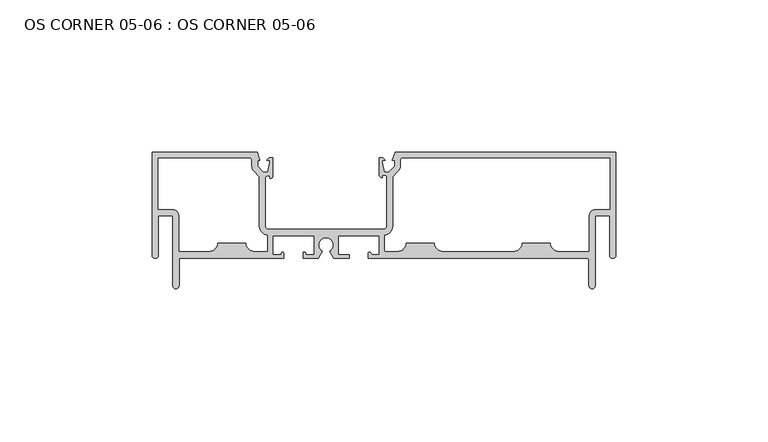
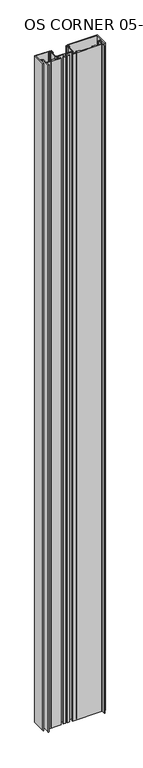
"""IFC4 building model written with IfcOpenShell, lengths in millimetres: plate geometry, OS CORNER 05-06 : OS CORNER 05-06."""

from ifc_helpers import new_model, si_unit, frame, origin, place, context, project, spatial, polyline, circle_curve, source, transform, mapped, element, save
from ifc_brep_helpers import plane_surface, cylinder_surface, revolved_surface, extruded_surface, spline_curve, advanced_brep


def os_corner_05_06_os_corner_05_06_1e219be5(model_context):
    return source(origin(), model_context, "Body", "AdvancedBrep", [
        advanced_brep(
        [(-50.8, 112.1366728, 1710.2666667), (-50.8, 146.0456728, 1710.2666667), (-123.3683003, 146.0456728, 1710.2666667), (-124.28347, 143.4421728, 1710.2666667), (-123.54687, 143.1832468, 1710.2666667), (-123.54687, 141.3578129, 1710.2666667), (-125.42647, 139.4797728, 1710.2666667), (-126.9005239, 139.4797728, 1710.2666667), (-127.5588, 142.4769728, 1710.2666667), (-127.5588, 143.4421728, 1710.2666667), (-126.615918, 143.4421728, 1710.2666667), (-127.4298906, 144.2561455, 1710.2666667), (-128.5748, 144.2561455, 1710.2666667), (-128.5748, 138.6162998, 1710.2666667), (-127.609473, 137.6509728, 1710.2666667), (-127.609473, 138.5074291, 1710.2666667), (-126.669673, 138.5074291, 1710.2666667), (-126.034673, 137.8724291, 1710.2666667), (-126.034673, 121.9156728, 1710.2666667), (-127.304673, 120.6456728, 1710.2666667), (-164.795327, 120.6456728, 1710.2666667), (-166.065327, 121.9156728, 1710.2666667), (-166.065327, 137.5747728, 1710.2666667), (-165.430327, 138.2097728, 1710.2666667), (-164.490527, 138.2097728, 1710.2666667), (-164.490527, 137.4277306, 1710.2666667), (-163.5252, 138.3930576, 1710.2666667), (-163.5252, 144.2561455, 1710.2666667), (-164.6701094, 144.2561455, 1710.2666667), (-165.484082, 143.4421728, 1710.2666667), (-164.5412, 143.4421728, 1710.2666667), (-164.5412, 142.4769728, 1710.2666667), (-165.1994761, 139.4797728, 1710.2666667), (-166.67353, 139.4797728, 1710.2666667), (-168.55313, 141.3578129, 1710.2666667), (-168.55313, 143.1832468, 1710.2666667), (-167.81653, 143.4421728, 1710.2666667), (-168.7316997, 146.0456728, 1710.2666667), (-203.2, 146.0456728, 1710.2666667), (-203.2, 112.1366728, 1710.2666667), (-201.168, 112.1366728, 1710.2666667), (-201.168, 125.1668728, 1710.2666667), (-196.3928, 125.1668728, 1710.2666667), (-196.3928, 102.1798728, 1710.2666667), (-194.3608, 102.1798728, 1710.2666667), (-194.3608, 111.1206728, 1710.2666667), (-159.9349057, 111.1206728, 1710.2666667), (-159.9349057, 112.7843728, 1710.2666667), (-160.9110439, 112.3906728, 1710.2666667), (-163.5124365, 112.3906728, 1710.2666667), (-163.5124365, 118.6136728, 1710.2666667), (-149.9996365, 118.6136728, 1710.2666667), (-149.9996365, 112.3906728, 1710.2666667), (-152.6048984, 112.3906728, 1710.2666667), (-153.5810365, 112.7843728, 1710.2666667), (-153.5810365, 111.1206728, 1710.2666667), (-148.5668967, 111.1206728, 1710.2666667), (-147.2437365, 113.4124535, 1710.2666667), (-144.8307365, 113.4124535, 1710.2666667), (-143.5075763, 111.1206728, 1710.2666667), (-138.4934365, 111.1206728, 1710.2666667), (-138.4934365, 112.3906728, 1710.2666667), (-142.0748365, 112.3906728, 1710.2666667), (-142.0748365, 118.6136728, 1710.2666667), (-128.5620365, 118.6136728, 1710.2666667), (-128.5620365, 112.3906728, 1710.2666667), (-130.6886834, 112.3906728, 1710.2666667), (-131.3560365, 112.7843728, 1710.2666667), (-132.1434365, 112.7843728, 1710.2666667), (-132.1434365, 111.1206728, 1710.2666667), (-60.1472, 111.1206728, 1710.2666667), (-59.6392, 110.6126728, 1710.2666667), (-59.6392, 102.1798728, 1710.2666667), (-57.6072, 102.1798728, 1710.2666667), (-57.6072, 125.1668728, 1710.2666667), (-52.832, 125.1668728, 1710.2666667), (-52.832, 112.1366728, 1710.2666667), (-59.6392, 113.4066728, 1710.2666667), (-69.4055, 113.4066728, 1710.2666667), (-72.1995, 116.2006728, 1710.2666667), (-81.7245, 116.2006728, 1710.2666667), (-84.5185, 113.4066728, 1710.2666667), (-107.5182, 113.4066728, 1710.2666667), (-110.3122, 116.2006728, 1710.2666667), (-119.8372, 116.2006728, 1710.2666667), (-122.6312, 113.4066728, 1710.2666667), (-126.2759095, 113.4066728, 1710.2666667), (-126.7839095, 113.9146728, 1710.2666667), (-126.7839095, 118.6549966, 1710.2666667), (-124.002673, 121.9156728, 1710.2666667), (-124.002673, 138.0298984, 1710.2666667), (-122.2967993, 139.7343564, 1710.2666667), (-121.51487, 141.6209929, 1710.2666667), (-121.51487, 143.5056728, 1710.2666667), (-121.00687, 144.0136728, 1710.2666667), (-52.832, 144.0136728, 1710.2666667), (-52.832, 127.1988728, 1710.2666667), (-57.6072, 127.1988728, 1710.2666667), (-59.6392, 125.1668728, 1710.2666667), (-170.58513, 141.6209929, 1710.2666667), (-169.8032007, 139.7343564, 1710.2666667), (-168.097327, 138.0298984, 1710.2666667), (-168.097327, 121.9156728, 1710.2666667), (-165.2905635, 118.651022, 1710.2666667), (-165.2905635, 113.4066728, 1710.2666667), (-169.4688, 113.4066728, 1710.2666667), (-172.2628, 116.2006728, 1710.2666667), (-181.7878, 116.2006728, 1710.2666667), (-184.5818, 113.4066728, 1710.2666667), (-194.3608, 113.4066728, 1710.2666667), (-194.3608, 125.1668728, 1710.2666667), (-196.3928, 127.1988728, 1710.2666667), (-201.168, 127.1988728, 1710.2666667), (-201.168, 144.0136728, 1710.2666667), (-171.09313, 144.0136728, 1710.2666667), (-170.58513, 143.5056728, 1710.2666667), (-50.8, 112.1366728, 0.0), (-52.832, 112.1366728, 0.0), (-52.832, 125.1668728, 0.0), (-57.6072, 125.1668728, 0.0), (-57.6072, 102.1798728, 0.0), (-59.6392, 102.1798728, 0.0), (-59.6392, 110.6126728, 0.0), (-60.1472, 111.1206728, 0.0), (-132.1434365, 111.1206728, 0.0), (-132.1434365, 112.7843728, 0.0), (-131.3560365, 112.7843728, 0.0), (-130.6886834, 112.3906728, 0.0), (-128.5620365, 112.3906728, 0.0), (-128.5620365, 118.6136728, 0.0), (-142.0748365, 118.6136728, 0.0), (-142.0748365, 112.3906728, 0.0), (-138.4934365, 112.3906728, 0.0), (-138.4934365, 111.1206728, 0.0), (-143.5075763, 111.1206728, 0.0), (-144.8307365, 113.4124535, 0.0), (-147.2437365, 113.4124535, 0.0), (-148.5668967, 111.1206728, 0.0), (-153.5810365, 111.1206728, 0.0), (-153.5810365, 112.7843728, 0.0), (-152.6048984, 112.3906728, 0.0), (-149.9996365, 112.3906728, 0.0), (-149.9996365, 118.6136728, 0.0), (-163.5124365, 118.6136728, 0.0), (-163.5124365, 112.3906728, 0.0), (-160.9110439, 112.3906728, 0.0), (-159.9349057, 112.7843728, 0.0), (-159.9349057, 111.1206728, 0.0), (-194.3608, 111.1206728, 0.0), (-194.3608, 102.1798728, 0.0), (-196.3928, 102.1798728, 0.0), (-196.3928, 125.1668728, 0.0), (-201.168, 125.1668728, 0.0), (-201.168, 112.1366728, 0.0), (-203.2, 112.1366728, 0.0), (-203.2, 146.0456728, 0.0), (-168.7316997, 146.0456728, 0.0), (-167.81653, 143.4421728, 0.0), (-168.55313, 143.1832468, 0.0), (-168.55313, 141.3578129, 0.0), (-166.67353, 139.4797728, 0.0), (-165.1994761, 139.4797728, 0.0), (-164.5412, 142.4769728, 0.0), (-164.5412, 143.4421728, 0.0), (-165.484082, 143.4421728, 0.0), (-164.6701094, 144.2561455, 0.0), (-163.5252, 144.2561455, 0.0), (-163.5252, 138.3930576, 0.0), (-164.490527, 137.4277306, 0.0), (-164.490527, 138.2097728, 0.0), (-165.430327, 138.2097728, 0.0), (-166.065327, 137.5747728, 0.0), (-166.065327, 121.9156728, 0.0), (-164.795327, 120.6456728, 0.0), (-127.304673, 120.6456728, 0.0), (-126.034673, 121.9156728, 0.0), (-126.034673, 137.8724291, 0.0), (-126.669673, 138.5074291, 0.0), (-127.609473, 138.5074291, 0.0), (-127.609473, 137.6509728, 0.0), (-128.5748, 138.6162998, 0.0), (-128.5748, 144.2561455, 0.0), (-127.4298906, 144.2561455, 0.0), (-126.615918, 143.4421728, 0.0), (-127.5588, 143.4421728, 0.0), (-127.5588, 142.4769728, 0.0), (-126.9005239, 139.4797728, 0.0), (-125.42647, 139.4797728, 0.0), (-123.54687, 141.3578129, 0.0), (-123.54687, 143.1832468, 0.0), (-124.28347, 143.4421728, 0.0), (-123.3683003, 146.0456728, 0.0), (-50.8, 146.0456728, 0.0), (-59.6392, 113.4066728, 0.0), (-59.6392, 125.1668728, 0.0), (-57.6072, 127.1988728, 0.0), (-52.832, 127.1988728, 0.0), (-52.832, 144.0136728, 0.0), (-121.00687, 144.0136728, 0.0), (-121.51487, 143.5056728, 0.0), (-121.51487, 141.6209929, 0.0), (-122.2967993, 139.7343564, 0.0), (-124.002673, 138.0298984, 0.0), (-124.002673, 121.9156728, 0.0), (-126.7839095, 118.6549966, 0.0), (-126.7839095, 113.9146728, 0.0), (-126.2759095, 113.4066728, 0.0), (-122.6312, 113.4066728, 0.0), (-119.8372, 116.2006728, 0.0), (-110.3122, 116.2006728, 0.0), (-107.5182, 113.4066728, 0.0), (-84.5185, 113.4066728, 0.0), (-81.7245, 116.2006728, 0.0), (-72.1995, 116.2006728, 0.0), (-69.4055, 113.4066728, 0.0), (-170.58513, 141.6209929, 0.0), (-170.58513, 143.5056728, 0.0), (-171.09313, 144.0136728, 0.0), (-201.168, 144.0136728, 0.0), (-201.168, 127.1988728, 0.0), (-196.3928, 127.1988728, 0.0), (-194.3608, 125.1668728, 0.0), (-194.3608, 113.4066728, 0.0), (-184.5818, 113.4066728, 0.0), (-181.7878, 116.2006728, 0.0), (-172.2628, 116.2006728, 0.0), (-169.4688, 113.4066728, 0.0), (-165.2905635, 113.4066728, 0.0), (-165.2905635, 118.651022, 0.0), (-168.097327, 121.9156728, 0.0), (-168.097327, 138.0298984, 0.0), (-169.8032007, 139.7343564, 0.0)],
        [
            (0, 1),
            (1, 2),
            (2, 3),
            (3, 4),
            (4, 5),
            (5, 6),
            (6, 7),
            (7, 8),
            (8, 9),
            (9, 10),
            (10, 11),
            (11, 12),
            (12, 13),
            (13, 14, circle_curve(frame((-127.609473, 138.6162998, 1710.2666667), z_axis=(0.0, 0.0, 1.0), x_axis=(0.0, 1.0, 0.0)), 0.965327)),
            (14, 15),
            (15, 16),
            (16, 17, circle_curve(frame((-126.669673, 137.8724291, 1710.2666667), z_axis=(0.0, 0.0, -1.0), x_axis=(0.0, 1.0, 0.0)), 0.635)),
            (17, 18),
            (18, 19, circle_curve(frame((-127.304673, 121.9156728, 1710.2666667), z_axis=(0.0, 0.0, -1.0), x_axis=(0.0, 1.0, 0.0)), 1.27)),
            (19, 20),
            (20, 21, circle_curve(frame((-164.795327, 121.9156728, 1710.2666667), z_axis=(0.0, 0.0, -1.0), x_axis=(0.0, 1.0, 0.0)), 1.27)),
            (21, 22),
            (22, 23, circle_curve(frame((-165.430327, 137.5747728, 1710.2666667), z_axis=(0.0, 0.0, -1.0), x_axis=(0.0, 1.0, 0.0)), 0.635)),
            (23, 24),
            (24, 25),
            (25, 26, circle_curve(frame((-164.490527, 138.3930576, 1710.2666667), z_axis=(0.0, 0.0, 1.0), x_axis=(0.0, 1.0, 0.0)), 0.965327)),
            (26, 27),
            (27, 28),
            (28, 29),
            (29, 30),
            (30, 31),
            (31, 32),
            (32, 33),
            (33, 34),
            (34, 35),
            (35, 36),
            (36, 37),
            (37, 38),
            (38, 39),
            (39, 40, circle_curve(frame((-202.184, 112.1366728, 1710.2666667), z_axis=(0.0, 0.0, 1.0), x_axis=(0.0, 1.0, 0.0)), 1.016)),
            (40, 41),
            (41, 42),
            (42, 43),
            (43, 44, circle_curve(frame((-195.3768, 102.1798728, 1710.2666667), z_axis=(0.0, 0.0, 1.0), x_axis=(0.0, 1.0, 0.0)), 1.016)),
            (44, 45),
            (45, 46),
            (46, 47),
            (47, 48, spline_curve(3, [(-159.9349057, 112.7843728, 1710.2666667), (-159.977186004, 113.024156319, 1710.2666667), (-160.00795905, 113.065316814, 1710.2666667), (-160.083410763, 113.133422498, 1710.2666667), (-160.126747934, 113.141063997, 1710.2666667), (-160.312732941, 113.156555603, 1710.2666667), (-160.491567822, 113.162921634, 1710.2666667), (-160.705278639, 112.949121795, 1710.2666667), (-160.70527865, 112.684536032, 1710.2666667), (-160.9110439, 112.3906728, 1710.2666667)], [4, 2, 2, 2, 4], [0.0, 0.0005581775979920252, 0.0014141886036385456, 0.002659292844354508, 0.004147214338502557])),
            (48, 49),
            (49, 50),
            (50, 51),
            (51, 52),
            (52, 53),
            (53, 54, spline_curve(3, [(-152.6048984, 112.3906728, 1710.2666667), (-152.81066365, 112.684536032, 1710.2666667), (-152.810663561, 112.949121795, 1710.2666667), (-153.024374378, 113.162921634, 1710.2666667), (-153.203209259, 113.156555603, 1710.2666667), (-153.389194266, 113.141063997, 1710.2666667), (-153.432531437, 113.133422498, 1710.2666667), (-153.50798315, 113.065316814, 1710.2666667), (-153.538756196, 113.024156319, 1710.2666667), (-153.5810365, 112.7843728, 1710.2666667)], [4, 2, 2, 2, 4], [0.0, 0.0014879214941480494, 0.0027330257348640117, 0.003589036740510532, 0.004147214338502557])),
            (54, 55),
            (55, 56),
            (56, 57),
            (57, 58, circle_curve(frame((-146.0372365, 115.5021728, 1710.2666667), z_axis=(0.0, 0.0, -1.0), x_axis=(0.0, 1.0, 0.0)), 2.413)),
            (58, 59),
            (59, 60),
            (60, 61),
            (61, 62),
            (62, 63),
            (63, 64),
            (64, 65),
            (65, 66),
            (66, 67, circle_curve(frame((-130.6886834, 113.1531313, 1710.2666667), z_axis=(0.0, 0.0, -1.0), x_axis=(0.0, 1.0, 0.0)), 0.7624585)),
            (67, 68, circle_curve(frame((-131.7497365, 112.7843728, 1710.2666667), z_axis=(0.0, 0.0, 1.0), x_axis=(0.0, 1.0, 0.0)), 0.3937)),
            (68, 69),
            (69, 70),
            (70, 71, circle_curve(frame((-60.1472, 110.6126728, 1710.2666667), z_axis=(0.0, 0.0, -1.0), x_axis=(0.0, 1.0, 0.0)), 0.508)),
            (71, 72),
            (72, 73, circle_curve(frame((-58.6232, 102.1798728, 1710.2666667), z_axis=(0.0, 0.0, 1.0), x_axis=(0.0, 1.0, 0.0)), 1.016)),
            (73, 74),
            (74, 75),
            (75, 76),
            (76, 0, circle_curve(frame((-51.816, 112.1366728, 1710.2666667), z_axis=(0.0, 0.0, 1.0), x_axis=(0.0, 1.0, 0.0)), 1.016)),
            (77, 78),
            (78, 79, circle_curve(frame((-69.4055, 116.2006728, 1710.2666667), z_axis=(0.0, 0.0, -1.0), x_axis=(0.0, 1.0, 0.0)), 2.794)),
            (79, 80),
            (80, 81, circle_curve(frame((-84.5185, 116.2006728, 1710.2666667), z_axis=(0.0, 0.0, -1.0), x_axis=(0.0, 1.0, 0.0)), 2.794)),
            (81, 82),
            (82, 83, circle_curve(frame((-107.5182, 116.2006728, 1710.2666667), z_axis=(0.0, 0.0, -1.0), x_axis=(0.0, 1.0, 0.0)), 2.794)),
            (83, 84),
            (84, 85, circle_curve(frame((-122.6312, 116.2006728, 1710.2666667), z_axis=(0.0, 0.0, -1.0), x_axis=(0.0, 1.0, 0.0)), 2.794)),
            (85, 86),
            (86, 87, circle_curve(frame((-126.2759095, 113.9146728, 1710.2666667), z_axis=(0.0, 0.0, -1.0), x_axis=(0.0, 1.0, 0.0)), 0.508)),
            (87, 88),
            (88, 89, circle_curve(frame((-127.304673, 121.9156728, 1710.2666667), z_axis=(0.0, 0.0, 1.0), x_axis=(0.0, 1.0, 0.0)), 3.302)),
            (89, 90),
            (90, 91),
            (91, 92, circle_curve(frame((-124.18187, 141.6209929, 1710.2666667), z_axis=(0.0, 0.0, 1.0), x_axis=(0.0, 1.0, 0.0)), 2.667)),
            (92, 93),
            (93, 94, circle_curve(frame((-121.00687, 143.5056728, 1710.2666667), z_axis=(0.0, 0.0, -1.0), x_axis=(0.0, 1.0, 0.0)), 0.508)),
            (94, 95),
            (95, 96),
            (96, 97),
            (97, 98, circle_curve(frame((-57.6072, 125.1668728, 1710.2666667), z_axis=(0.0, 0.0, 1.0), x_axis=(0.0, 1.0, 0.0)), 2.032)),
            (98, 77),
            (99, 100, circle_curve(frame((-167.91813, 141.6209929, 1710.2666667), z_axis=(0.0, 0.0, 1.0), x_axis=(0.0, 1.0, 0.0)), 2.667)),
            (100, 101),
            (101, 102),
            (102, 103, circle_curve(frame((-164.795327, 121.9156728, 1710.2666667), z_axis=(0.0, 0.0, 1.0), x_axis=(0.0, 1.0, 0.0)), 3.302)),
            (103, 104),
            (104, 105),
            (105, 106, circle_curve(frame((-169.4688, 116.2006728, 1710.2666667), z_axis=(0.0, 0.0, -1.0), x_axis=(0.0, 1.0, 0.0)), 2.794)),
            (106, 107),
            (107, 108, circle_curve(frame((-184.5818, 116.2006728, 1710.2666667), z_axis=(0.0, 0.0, -1.0), x_axis=(0.0, 1.0, 0.0)), 2.794)),
            (108, 109),
            (109, 110),
            (110, 111, circle_curve(frame((-196.3928, 125.1668728, 1710.2666667), z_axis=(0.0, 0.0, 1.0), x_axis=(0.0, 1.0, 0.0)), 2.032)),
            (111, 112),
            (112, 113),
            (113, 114),
            (114, 115, circle_curve(frame((-171.09313, 143.5056728, 1710.2666667), z_axis=(0.0, 0.0, -1.0), x_axis=(0.0, 1.0, 0.0)), 0.508)),
            (115, 99),
            (116, 117, circle_curve(frame((-51.816, 112.1366728, 0.0), z_axis=(0.0, 0.0, -1.0), x_axis=(0.0, 1.0, 0.0)), 1.016)),
            (117, 118),
            (118, 119),
            (119, 120),
            (120, 121, circle_curve(frame((-58.6232, 102.1798728, 0.0), z_axis=(0.0, 0.0, -1.0), x_axis=(0.0, 1.0, 0.0)), 1.016)),
            (121, 122),
            (122, 123, circle_curve(frame((-60.1472, 110.6126728, 0.0), z_axis=(0.0, 0.0, 1.0), x_axis=(0.0, 1.0, 0.0)), 0.508)),
            (123, 124),
            (124, 125),
            (125, 126, circle_curve(frame((-131.7497365, 112.7843728, 0.0), z_axis=(0.0, 0.0, -1.0), x_axis=(0.0, 1.0, 0.0)), 0.3937)),
            (126, 127, circle_curve(frame((-130.6886834, 113.1531313, 0.0), z_axis=(0.0, 0.0, 1.0), x_axis=(0.0, 1.0, 0.0)), 0.7624585)),
            (127, 128),
            (128, 129),
            (129, 130),
            (130, 131),
            (131, 132),
            (132, 133),
            (133, 134),
            (134, 135),
            (135, 136, circle_curve(frame((-146.0372365, 115.5021728, 0.0), z_axis=(0.0, 0.0, 1.0), x_axis=(0.0, 1.0, 0.0)), 2.413)),
            (136, 137),
            (137, 138),
            (138, 139),
            (139, 140, spline_curve(3, [(-153.5810365, 112.7843728, 0.0), (-153.538756196, 113.024156319, 0.0), (-153.50798315, 113.065316814, 0.0), (-153.432531437, 113.133422498, 0.0), (-153.389194266, 113.141063997, 0.0), (-153.203209259, 113.156555603, 0.0), (-153.024374378, 113.162921634, 0.0), (-152.810663561, 112.949121795, 0.0), (-152.81066365, 112.684536032, 0.0), (-152.6048984, 112.3906728, 0.0)], [4, 2, 2, 2, 4], [0.0, 0.0005581775979920252, 0.0014141886036385456, 0.002659292844354508, 0.004147214338502557])),
            (140, 141),
            (141, 142),
            (142, 143),
            (143, 144),
            (144, 145),
            (145, 146, spline_curve(3, [(-160.9110439, 112.3906728, 0.0), (-160.70527865, 112.684536032, 0.0), (-160.705278639, 112.949121795, 0.0), (-160.491567822, 113.162921634, 0.0), (-160.312732941, 113.156555603, 0.0), (-160.126747934, 113.141063997, 0.0), (-160.083410763, 113.133422498, 0.0), (-160.00795905, 113.065316814, 0.0), (-159.977186004, 113.024156319, 0.0), (-159.9349057, 112.7843728, 0.0)], [4, 2, 2, 2, 4], [0.0, 0.0014879214941480494, 0.0027330257348640117, 0.003589036740510532, 0.004147214338502557])),
            (146, 147),
            (147, 148),
            (148, 149),
            (149, 150, circle_curve(frame((-195.3768, 102.1798728, 0.0), z_axis=(0.0, 0.0, -1.0), x_axis=(0.0, 1.0, 0.0)), 1.016)),
            (150, 151),
            (151, 152),
            (152, 153),
            (153, 154, circle_curve(frame((-202.184, 112.1366728, 0.0), z_axis=(0.0, 0.0, -1.0), x_axis=(0.0, 1.0, 0.0)), 1.016)),
            (154, 155),
            (155, 156),
            (156, 157),
            (157, 158),
            (158, 159),
            (159, 160),
            (160, 161),
            (161, 162),
            (162, 163),
            (163, 164),
            (164, 165),
            (165, 166),
            (166, 167),
            (167, 168, circle_curve(frame((-164.490527, 138.3930576, 0.0), z_axis=(0.0, 0.0, -1.0), x_axis=(0.0, 1.0, 0.0)), 0.965327)),
            (168, 169),
            (169, 170),
            (170, 171, circle_curve(frame((-165.430327, 137.5747728, 0.0), z_axis=(0.0, 0.0, 1.0), x_axis=(0.0, 1.0, 0.0)), 0.635)),
            (171, 172),
            (172, 173, circle_curve(frame((-164.795327, 121.9156728, 0.0), z_axis=(0.0, 0.0, 1.0), x_axis=(0.0, 1.0, 0.0)), 1.27)),
            (173, 174),
            (174, 175, circle_curve(frame((-127.304673, 121.9156728, 0.0), z_axis=(0.0, 0.0, 1.0), x_axis=(0.0, 1.0, 0.0)), 1.27)),
            (175, 176),
            (176, 177, circle_curve(frame((-126.669673, 137.8724291, 0.0), z_axis=(0.0, 0.0, 1.0), x_axis=(0.0, 1.0, 0.0)), 0.635)),
            (177, 178),
            (178, 179),
            (179, 180, circle_curve(frame((-127.609473, 138.6162998, 0.0), z_axis=(0.0, 0.0, -1.0), x_axis=(0.0, 1.0, 0.0)), 0.965327)),
            (180, 181),
            (181, 182),
            (182, 183),
            (183, 184),
            (184, 185),
            (185, 186),
            (186, 187),
            (187, 188),
            (188, 189),
            (189, 190),
            (190, 191),
            (191, 192),
            (192, 116),
            (193, 194),
            (194, 195, circle_curve(frame((-57.6072, 125.1668728, 0.0), z_axis=(0.0, 0.0, -1.0), x_axis=(0.0, 1.0, 0.0)), 2.032)),
            (195, 196),
            (196, 197),
            (197, 198),
            (198, 199, circle_curve(frame((-121.00687, 143.5056728, 0.0), z_axis=(0.0, 0.0, 1.0), x_axis=(0.0, 1.0, 0.0)), 0.508)),
            (199, 200),
            (200, 201, circle_curve(frame((-124.18187, 141.6209929, 0.0), z_axis=(0.0, 0.0, -1.0), x_axis=(0.0, 1.0, 0.0)), 2.667)),
            (201, 202),
            (202, 203),
            (203, 204, circle_curve(frame((-127.304673, 121.9156728, 0.0), z_axis=(0.0, 0.0, -1.0), x_axis=(0.0, 1.0, 0.0)), 3.302)),
            (204, 205),
            (205, 206, circle_curve(frame((-126.2759095, 113.9146728, 0.0), z_axis=(0.0, 0.0, 1.0), x_axis=(0.0, 1.0, 0.0)), 0.508)),
            (206, 207),
            (207, 208, circle_curve(frame((-122.6312, 116.2006728, 0.0), z_axis=(0.0, 0.0, 1.0), x_axis=(0.0, 1.0, 0.0)), 2.794)),
            (208, 209),
            (209, 210, circle_curve(frame((-107.5182, 116.2006728, 0.0), z_axis=(0.0, 0.0, 1.0), x_axis=(0.0, 1.0, 0.0)), 2.794)),
            (210, 211),
            (211, 212, circle_curve(frame((-84.5185, 116.2006728, 0.0), z_axis=(0.0, 0.0, 1.0), x_axis=(0.0, 1.0, 0.0)), 2.794)),
            (212, 213),
            (213, 214, circle_curve(frame((-69.4055, 116.2006728, 0.0), z_axis=(0.0, 0.0, 1.0), x_axis=(0.0, 1.0, 0.0)), 2.794)),
            (214, 193),
            (215, 216),
            (216, 217, circle_curve(frame((-171.09313, 143.5056728, 0.0), z_axis=(0.0, 0.0, 1.0), x_axis=(0.0, 1.0, 0.0)), 0.508)),
            (217, 218),
            (218, 219),
            (219, 220),
            (220, 221, circle_curve(frame((-196.3928, 125.1668728, 0.0), z_axis=(0.0, 0.0, -1.0), x_axis=(0.0, 1.0, 0.0)), 2.032)),
            (221, 222),
            (222, 223),
            (223, 224, circle_curve(frame((-184.5818, 116.2006728, 0.0), z_axis=(0.0, 0.0, 1.0), x_axis=(0.0, 1.0, 0.0)), 2.794)),
            (224, 225),
            (225, 226, circle_curve(frame((-169.4688, 116.2006728, 0.0), z_axis=(0.0, 0.0, 1.0), x_axis=(0.0, 1.0, 0.0)), 2.794)),
            (226, 227),
            (227, 228),
            (228, 229, circle_curve(frame((-164.795327, 121.9156728, 0.0), z_axis=(0.0, 0.0, -1.0), x_axis=(0.0, 1.0, 0.0)), 3.302)),
            (229, 230),
            (230, 231),
            (231, 215, circle_curve(frame((-167.91813, 141.6209929, 0.0), z_axis=(0.0, 0.0, -1.0), x_axis=(0.0, 1.0, 0.0)), 2.667)),
            (76, 117),
            (116, 0),
            (75, 118),
            (74, 119),
            (73, 120),
            (72, 121),
            (71, 122),
            (70, 123),
            (69, 124),
            (68, 125),
            (67, 126),
            (66, 127),
            (65, 128),
            (64, 129),
            (63, 130),
            (62, 131),
            (61, 132),
            (60, 133),
            (59, 134),
            (58, 135),
            (57, 136),
            (56, 137),
            (55, 138),
            (54, 139),
            (53, 140),
            (52, 141),
            (51, 142),
            (50, 143),
            (49, 144),
            (48, 145),
            (47, 146),
            (46, 147),
            (45, 148),
            (44, 149),
            (43, 150),
            (42, 151),
            (41, 152),
            (40, 153),
            (39, 154),
            (38, 155),
            (37, 156),
            (36, 157),
            (35, 158),
            (34, 159),
            (33, 160),
            (32, 161),
            (31, 162),
            (30, 163),
            (29, 164),
            (28, 165),
            (27, 166),
            (26, 167),
            (25, 168),
            (24, 169),
            (23, 170),
            (22, 171),
            (21, 172),
            (20, 173),
            (19, 174),
            (18, 175),
            (17, 176),
            (16, 177),
            (15, 178),
            (14, 179),
            (13, 180),
            (12, 181),
            (11, 182),
            (10, 183),
            (9, 184),
            (8, 185),
            (7, 186),
            (6, 187),
            (5, 188),
            (4, 189),
            (3, 190),
            (2, 191),
            (1, 192),
            (98, 194),
            (193, 77),
            (97, 195),
            (96, 196),
            (95, 197),
            (94, 198),
            (93, 199),
            (92, 200),
            (91, 201),
            (90, 202),
            (89, 203),
            (88, 204),
            (87, 205),
            (86, 206),
            (85, 207),
            (84, 208),
            (83, 209),
            (82, 210),
            (81, 211),
            (80, 212),
            (79, 213),
            (78, 214),
            (115, 216),
            (215, 99),
            (114, 217),
            (113, 218),
            (112, 219),
            (111, 220),
            (110, 221),
            (109, 222),
            (108, 223),
            (107, 224),
            (106, 225),
            (105, 226),
            (104, 227),
            (103, 228),
            (102, 229),
            (101, 230),
            (100, 231),
        ],
        [
            plane_surface(frame((-203.2, 0.0, 1710.2666667), z_axis=(0.0, 0.0, 1.0), x_axis=(0.0, 1.0, 0.0))),
            plane_surface(frame((-203.2, 0.0, 0.0), z_axis=(0.0, 0.0, -1.0), x_axis=(0.0, 1.0, 0.0))),
            cylinder_surface(frame((-51.816, 112.1366728, 1710.2666667), z_axis=(0.0, 0.0, 1.0), x_axis=(0.0, 1.0, 0.0)), 1.016),
            plane_surface(frame((-52.832, 112.1366728, 1710.2666667), z_axis=(-1.0, 0.0, 0.0), x_axis=(0.0, 0.0, -1.0))),
            plane_surface(frame((-52.832, 125.1668728, 1710.2666667), z_axis=(0.0, -1.0, 0.0), x_axis=(0.0, 0.0, -1.0))),
            plane_surface(frame((-57.6072, 125.1668728, 1710.2666667), z_axis=(1.0, 0.0, 0.0), x_axis=(0.0, 0.0, -1.0))),
            cylinder_surface(frame((-58.6232, 102.1798728, 1710.2666667), z_axis=(0.0, 0.0, 1.0), x_axis=(0.0, 1.0, 0.0)), 1.016),
            plane_surface(frame((-59.6392, 102.1798728, 1710.2666667), z_axis=(-1.0, 0.0, 0.0), x_axis=(0.0, 0.0, -1.0))),
            revolved_surface(polyline([(-60.1472, 111.1206728, 0.0), (-60.1472, 111.1206728, 1710.2666667)]), (-60.1472, 110.6126728, 1710.2666667), (0.0, 0.0, -1.0)),
            plane_surface(frame((-60.1472, 111.1206728, 1710.2666667), z_axis=(0.0, -1.0, 0.0), x_axis=(0.0, 0.0, -1.0))),
            plane_surface(frame((-132.1434365, 111.1206728, 1710.2666667), z_axis=(-1.0, 0.0, 0.0), x_axis=(0.0, 0.0, -1.0))),
            cylinder_surface(frame((-131.7497365, 112.7843728, 1710.2666667), z_axis=(0.0, 0.0, 1.0), x_axis=(0.0, 1.0, 0.0)), 0.3937),
            revolved_surface(polyline([(-130.6886834, 113.91558979999999, 0.0), (-130.6886834, 113.91558979999999, 1710.2666667)]), (-130.6886834, 113.1531313, 1710.2666667), (0.0, 0.0, -1.0)),
            plane_surface(frame((-130.6886834, 112.3906728, 1710.2666667), z_axis=(0.0, 1.0, 0.0), x_axis=(0.0, 0.0, -1.0))),
            plane_surface(frame((-128.5620365, 112.3906728, 1710.2666667), z_axis=(-1.0, 0.0, 0.0), x_axis=(0.0, 0.0, -1.0))),
            plane_surface(frame((-128.5620365, 118.6136728, 1710.2666667), z_axis=(0.0, -1.0, 0.0), x_axis=(0.0, 0.0, -1.0))),
            plane_surface(frame((-142.0748365, 118.6136728, 1710.2666667), z_axis=(1.0, 0.0, 0.0), x_axis=(0.0, 0.0, -1.0))),
            plane_surface(frame((-142.0748365, 112.3906728, 1710.2666667), z_axis=(0.0, 1.0, 0.0), x_axis=(0.0, 0.0, -1.0))),
            plane_surface(frame((-138.4934365, 112.3906728, 1710.2666667), z_axis=(1.0, 0.0, 0.0), x_axis=(0.0, 0.0, -1.0))),
            plane_surface(frame((-138.4934365, 111.1206728, 1710.2666667), z_axis=(0.0, -1.0, 0.0), x_axis=(0.0, 0.0, -1.0))),
            plane_surface(frame((-143.5075763, 111.1206728, 1710.2666667), z_axis=(-0.8660254037844064, -0.500000000000056, 0.0), x_axis=(0.0, 0.0, -1.0))),
            revolved_surface(polyline([(-146.0372365, 117.9151728, 0.0), (-146.0372365, 117.9151728, 1710.2666667)]), (-146.0372365, 115.5021728, 1710.2666667), (0.0, 0.0, -1.0)),
            plane_surface(frame((-147.2437365, 113.4124535, 1710.2666667), z_axis=(0.8660254037844907, -0.49999999999991, 0.0), x_axis=(0.0, 0.0, -1.0))),
            plane_surface(frame((-148.5668967, 111.1206728, 1710.2666667), z_axis=(0.0, -1.0, 0.0), x_axis=(0.0, 0.0, -1.0))),
            plane_surface(frame((-153.5810365, 111.1206728, 1710.2666667), z_axis=(-1.0, 0.0, 0.0), x_axis=(0.0, 0.0, -1.0))),
            extruded_surface(spline_curve(3, [(-153.5810365, 112.7843728, 1710.2666667), (-153.538756196, 113.024156319, 1710.2666667), (-153.50798315, 113.065316814, 1710.2666667), (-153.432531437, 113.133422498, 1710.2666667), (-153.389194266, 113.141063997, 1710.2666667), (-153.203209259, 113.156555603, 1710.2666667), (-153.024374378, 113.162921634, 1710.2666667), (-152.810663561, 112.949121795, 1710.2666667), (-152.81066365, 112.684536032, 1710.2666667), (-152.6048984, 112.3906728, 1710.2666667)], [4, 2, 2, 2, 4], [0.0, 0.0005581775979920252, 0.0014141886036385456, 0.002659292844354508, 0.004147214338502557]), (0.0, 0.0, -1710.2666667), 1710.2666667),
            plane_surface(frame((-152.6048984, 112.3906728, 1710.2666667), z_axis=(0.0, 1.0, 0.0), x_axis=(0.0, 0.0, -1.0))),
            plane_surface(frame((-149.9996365, 112.3906728, 1710.2666667), z_axis=(-1.0, 0.0, 0.0), x_axis=(0.0, 0.0, -1.0))),
            plane_surface(frame((-149.9996365, 118.6136728, 1710.2666667), z_axis=(0.0, -1.0, 0.0), x_axis=(0.0, 0.0, -1.0))),
            plane_surface(frame((-163.5124365, 118.6136728, 1710.2666667), z_axis=(1.0, 0.0, 0.0), x_axis=(0.0, 0.0, -1.0))),
            plane_surface(frame((-163.5124365, 112.3906728, 1710.2666667), z_axis=(0.0, 1.0, 0.0), x_axis=(0.0, 0.0, -1.0))),
            extruded_surface(spline_curve(3, [(-160.9110439, 112.3906728, 1710.2666667), (-160.70527865, 112.684536032, 1710.2666667), (-160.705278639, 112.949121795, 1710.2666667), (-160.491567822, 113.162921634, 1710.2666667), (-160.312732941, 113.156555603, 1710.2666667), (-160.126747934, 113.141063997, 1710.2666667), (-160.083410763, 113.133422498, 1710.2666667), (-160.00795905, 113.065316814, 1710.2666667), (-159.977186004, 113.024156319, 1710.2666667), (-159.9349057, 112.7843728, 1710.2666667)], [4, 2, 2, 2, 4], [0.0, 0.0014879214941480494, 0.0027330257348640117, 0.003589036740510532, 0.004147214338502557]), (0.0, 0.0, -1710.2666667), 1710.2666667),
            plane_surface(frame((-159.9349057, 112.7843728, 1710.2666667), z_axis=(1.0, 0.0, 0.0), x_axis=(0.0, 0.0, -1.0))),
            plane_surface(frame((-159.9349057, 111.1206728, 1710.2666667), z_axis=(0.0, -1.0, 0.0), x_axis=(0.0, 0.0, -1.0))),
            plane_surface(frame((-194.3608, 111.1206728, 1710.2666667), z_axis=(1.0, 0.0, 0.0), x_axis=(0.0, 0.0, -1.0))),
            cylinder_surface(frame((-195.3768, 102.1798728, 1710.2666667), z_axis=(0.0, 0.0, 1.0), x_axis=(0.0, 1.0, 0.0)), 1.016),
            plane_surface(frame((-196.3928, 102.1798728, 1710.2666667), z_axis=(-1.0, 0.0, 0.0), x_axis=(0.0, 0.0, -1.0))),
            plane_surface(frame((-196.3928, 125.1668728, 1710.2666667), z_axis=(0.0, -1.0, 0.0), x_axis=(0.0, 0.0, -1.0))),
            plane_surface(frame((-201.168, 125.1668728, 1710.2666667), z_axis=(1.0, 0.0, 0.0), x_axis=(0.0, 0.0, -1.0))),
            cylinder_surface(frame((-202.184, 112.1366728, 1710.2666667), z_axis=(0.0, 0.0, 1.0), x_axis=(0.0, 1.0, 0.0)), 1.016),
            plane_surface(frame((-203.2, 112.1366728, 1710.2666667), z_axis=(-1.0, 0.0, 0.0), x_axis=(0.0, 0.0, -1.0))),
            plane_surface(frame((-203.2, 146.0456728, 1710.2666667), z_axis=(0.0, 1.0, 0.0), x_axis=(0.0, 0.0, -1.0))),
            plane_surface(frame((-168.7316997, 146.0456728, 1710.2666667), z_axis=(0.9434118010060337, 0.33162354217177037, 0.0), x_axis=(0.0, 0.0, -1.0))),
            plane_surface(frame((-167.81653, 143.4421728, 1710.2666667), z_axis=(0.33162354217180673, -0.943411801006021, 0.0), x_axis=(0.0, 0.0, -1.0))),
            plane_surface(frame((-168.55313, 143.1832468, 1710.2666667), z_axis=(1.0, 0.0, 0.0), x_axis=(0.0, 0.0, -1.0))),
            plane_surface(frame((-168.55313, 141.3578129, 1710.2666667), z_axis=(0.7068131672088557, 0.7074002732966579, 0.0), x_axis=(0.0, 0.0, -1.0))),
            plane_surface(frame((-166.67353, 139.4797728, 1710.2666667), z_axis=(0.0, 1.0, 0.0), x_axis=(0.0, 0.0, -1.0))),
            plane_surface(frame((-165.1994761, 139.4797728, 1710.2666667), z_axis=(-0.9767201702081739, 0.21451738649469845, 0.0), x_axis=(0.0, 0.0, -1.0))),
            plane_surface(frame((-164.5412, 142.4769728, 1710.2666667), z_axis=(-1.0, 0.0, 0.0), x_axis=(0.0, 0.0, -1.0))),
            plane_surface(frame((-164.5412, 143.4421728, 1710.2666667), z_axis=(0.0, -1.0, 0.0), x_axis=(0.0, 0.0, -1.0))),
            plane_surface(frame((-165.484082, 143.4421728, 1710.2666667), z_axis=(-0.7071067811865476, 0.7071067811865476, 0.0), x_axis=(0.0, 0.0, -1.0))),
            plane_surface(frame((-164.6701094, 144.2561455, 1710.2666667), z_axis=(0.0, 1.0, 0.0), x_axis=(0.0, 0.0, -1.0))),
            plane_surface(frame((-163.5252, 144.2561455, 1710.2666667), z_axis=(1.0, 0.0, 0.0), x_axis=(0.0, 0.0, -1.0))),
            cylinder_surface(frame((-164.490527, 138.3930576, 1710.2666667), z_axis=(0.0, 0.0, 1.0), x_axis=(0.0, 1.0, 0.0)), 0.965327),
            plane_surface(frame((-164.490527, 137.4277306, 1710.2666667), z_axis=(-1.0, 0.0, 0.0), x_axis=(0.0, 0.0, -1.0))),
            plane_surface(frame((-164.490527, 138.2097728, 1710.2666667), z_axis=(0.0, -1.0, 0.0), x_axis=(0.0, 0.0, -1.0))),
            revolved_surface(polyline([(-165.430327, 138.2097728, 0.0), (-165.430327, 138.2097728, 1710.2666667)]), (-165.430327, 137.5747728, 1710.2666667), (0.0, 0.0, -1.0)),
            plane_surface(frame((-166.065327, 137.5747728, 1710.2666667), z_axis=(1.0, 0.0, 0.0), x_axis=(0.0, 0.0, -1.0))),
            revolved_surface(polyline([(-164.795327, 123.18567279999999, 0.0), (-164.795327, 123.18567279999999, 1710.2666667)]), (-164.795327, 121.9156728, 1710.2666667), (0.0, 0.0, -1.0)),
            plane_surface(frame((-164.795327, 120.6456728, 1710.2666667), z_axis=(0.0, 1.0, 0.0), x_axis=(0.0, 0.0, -1.0))),
            revolved_surface(polyline([(-127.304673, 123.18567279999999, 0.0), (-127.304673, 123.18567279999999, 1710.2666667)]), (-127.304673, 121.9156728, 1710.2666667), (0.0, 0.0, -1.0)),
            plane_surface(frame((-126.034673, 121.9156728, 1710.2666667), z_axis=(-1.0, 0.0, 0.0), x_axis=(0.0, 0.0, -1.0))),
            revolved_surface(polyline([(-126.669673, 138.5074291, 0.0), (-126.669673, 138.5074291, 1710.2666667)]), (-126.669673, 137.8724291, 1710.2666667), (0.0, 0.0, -1.0)),
            plane_surface(frame((-126.669673, 138.5074291, 1710.2666667), z_axis=(0.0, -1.0, 0.0), x_axis=(0.0, 0.0, -1.0))),
            plane_surface(frame((-127.609473, 138.5074291, 1710.2666667), z_axis=(1.0, 0.0, 0.0), x_axis=(0.0, 0.0, -1.0))),
            cylinder_surface(frame((-127.609473, 138.6162998, 1710.2666667), z_axis=(0.0, 0.0, 1.0), x_axis=(0.0, 1.0, 0.0)), 0.965327),
            plane_surface(frame((-128.5748, 138.6162998, 1710.2666667), z_axis=(-1.0, 0.0, 0.0), x_axis=(0.0, 0.0, -1.0))),
            plane_surface(frame((-128.5748, 144.2561455, 1710.2666667), z_axis=(0.0, 1.0, 0.0), x_axis=(0.0, 0.0, -1.0))),
            plane_surface(frame((-127.4298906, 144.2561455, 1710.2666667), z_axis=(0.7071067811865476, 0.7071067811865476, 0.0), x_axis=(0.0, 0.0, -1.0))),
            plane_surface(frame((-126.615918, 143.4421728, 1710.2666667), z_axis=(0.0, -1.0, 0.0), x_axis=(0.0, 0.0, -1.0))),
            plane_surface(frame((-127.5588, 143.4421728, 1710.2666667), z_axis=(1.0, 0.0, 0.0), x_axis=(0.0, 0.0, -1.0))),
            plane_surface(frame((-127.5588, 142.4769728, 1710.2666667), z_axis=(0.9767201702081759, 0.2145173864946892, 0.0), x_axis=(0.0, 0.0, -1.0))),
            plane_surface(frame((-126.9005239, 139.4797728, 1710.2666667), z_axis=(0.0, 1.0, 0.0), x_axis=(0.0, 0.0, -1.0))),
            plane_surface(frame((-125.42647, 139.4797728, 1710.2666667), z_axis=(-0.7068131672088621, 0.7074002732966516, 0.0), x_axis=(0.0, 0.0, -1.0))),
            plane_surface(frame((-123.54687, 141.3578129, 1710.2666667), z_axis=(-1.0, 0.0, 0.0), x_axis=(0.0, 0.0, -1.0))),
            plane_surface(frame((-123.54687, 143.1832468, 1710.2666667), z_axis=(-0.33162354217180307, -0.9434118010060222, 0.0), x_axis=(0.0, 0.0, -1.0))),
            plane_surface(frame((-124.28347, 143.4421728, 1710.2666667), z_axis=(-0.9434118010060364, 0.3316235421717627, 0.0), x_axis=(0.0, 0.0, -1.0))),
            plane_surface(frame((-123.3683003, 146.0456728, 1710.2666667), z_axis=(0.0, 1.0, 0.0), x_axis=(0.0, 0.0, -1.0))),
            plane_surface(frame((-50.8, 146.0456728, 1710.2666667), z_axis=(1.0, 0.0, 0.0), x_axis=(0.0, 0.0, -1.0))),
            plane_surface(frame((-59.6392, 113.4066728, 1710.2666667), z_axis=(-1.0, 0.0, 0.0), x_axis=(0.0, 0.0, -1.0))),
            cylinder_surface(frame((-57.6072, 125.1668728, 1710.2666667), z_axis=(0.0, 0.0, 1.0), x_axis=(0.0, 1.0, 0.0)), 2.032),
            plane_surface(frame((-57.6072, 127.1988728, 1710.2666667), z_axis=(0.0, 1.0, 0.0), x_axis=(0.0, 0.0, -1.0))),
            plane_surface(frame((-52.832, 127.1988728, 1710.2666667), z_axis=(-1.0, 0.0, 0.0), x_axis=(0.0, 0.0, -1.0))),
            plane_surface(frame((-52.832, 144.0136728, 1710.2666667), z_axis=(0.0, -1.0, 0.0), x_axis=(0.0, 0.0, -1.0))),
            revolved_surface(polyline([(-121.00687, 144.01367280000002, 0.0), (-121.00687, 144.01367280000002, 1710.2666667)]), (-121.00687, 143.5056728, 1710.2666667), (0.0, 0.0, -1.0)),
            plane_surface(frame((-121.51487, 143.5056728, 1710.2666667), z_axis=(1.0, 0.0, 0.0), x_axis=(0.0, 0.0, -1.0))),
            cylinder_surface(frame((-124.18187, 141.6209929, 1710.2666667), z_axis=(0.0, 0.0, 1.0), x_axis=(0.0, 1.0, 0.0)), 2.667),
            plane_surface(frame((-122.2967993, 139.7343564, 1710.2666667), z_axis=(0.7068131672089337, -0.7074002732965801, 0.0), x_axis=(0.0, 0.0, -1.0))),
            plane_surface(frame((-124.002673, 138.0298984, 1710.2666667), z_axis=(1.0, 0.0, 0.0), x_axis=(0.0, 0.0, -1.0))),
            cylinder_surface(frame((-127.304673, 121.9156728, 1710.2666667), z_axis=(0.0, 0.0, 1.0), x_axis=(0.0, 1.0, 0.0)), 3.302),
            plane_surface(frame((-126.7839095, 118.6549966, 1710.2666667), z_axis=(1.0, 0.0, 0.0), x_axis=(0.0, 0.0, -1.0))),
            revolved_surface(polyline([(-126.2759095, 114.4226728, 0.0), (-126.2759095, 114.4226728, 1710.2666667)]), (-126.2759095, 113.9146728, 1710.2666667), (0.0, 0.0, -1.0)),
            plane_surface(frame((-126.2759095, 113.4066728, 1710.2666667), z_axis=(0.0, 1.0, 0.0), x_axis=(0.0, 0.0, -1.0))),
            revolved_surface(polyline([(-122.6312, 118.9946728, 0.0), (-122.6312, 118.9946728, 1710.2666667)]), (-122.6312, 116.2006728, 1710.2666667), (0.0, 0.0, -1.0)),
            plane_surface(frame((-119.8372, 116.2006728, 1710.2666667), z_axis=(0.0, 1.0, 0.0), x_axis=(0.0, 0.0, -1.0))),
            revolved_surface(polyline([(-107.5182, 118.9946728, 0.0), (-107.5182, 118.9946728, 1710.2666667)]), (-107.5182, 116.2006728, 1710.2666667), (0.0, 0.0, -1.0)),
            plane_surface(frame((-107.5182, 113.4066728, 1710.2666667), z_axis=(0.0, 1.0, 0.0), x_axis=(0.0, 0.0, -1.0))),
            revolved_surface(polyline([(-84.5185, 118.9946728, 0.0), (-84.5185, 118.9946728, 1710.2666667)]), (-84.5185, 116.2006728, 1710.2666667), (0.0, 0.0, -1.0)),
            plane_surface(frame((-81.7245, 116.2006728, 1710.2666667), z_axis=(0.0, 1.0, 0.0), x_axis=(0.0, 0.0, -1.0))),
            revolved_surface(polyline([(-69.4055, 118.9946728, 0.0), (-69.4055, 118.9946728, 1710.2666667)]), (-69.4055, 116.2006728, 1710.2666667), (0.0, 0.0, -1.0)),
            plane_surface(frame((-69.4055, 113.4066728, 1710.2666667), z_axis=(0.0, 1.0, 0.0), x_axis=(0.0, 0.0, -1.0))),
            plane_surface(frame((-170.58513, 141.6209929, 1710.2666667), z_axis=(-1.0, 0.0, 0.0), x_axis=(0.0, 0.0, -1.0))),
            revolved_surface(polyline([(-171.09313, 144.01367280000002, 0.0), (-171.09313, 144.01367280000002, 1710.2666667)]), (-171.09313, 143.5056728, 1710.2666667), (0.0, 0.0, -1.0)),
            plane_surface(frame((-171.09313, 144.0136728, 1710.2666667), z_axis=(0.0, -1.0, 0.0), x_axis=(0.0, 0.0, -1.0))),
            plane_surface(frame((-201.168, 144.0136728, 1710.2666667), z_axis=(1.0, 0.0, 0.0), x_axis=(0.0, 0.0, -1.0))),
            plane_surface(frame((-201.168, 127.1988728, 1710.2666667), z_axis=(0.0, 1.0, 0.0), x_axis=(0.0, 0.0, -1.0))),
            cylinder_surface(frame((-196.3928, 125.1668728, 1710.2666667), z_axis=(0.0, 0.0, 1.0), x_axis=(0.0, 1.0, 0.0)), 2.032),
            plane_surface(frame((-194.3608, 125.1668728, 1710.2666667), z_axis=(1.0, 0.0, 0.0), x_axis=(0.0, 0.0, -1.0))),
            plane_surface(frame((-194.3608, 113.4066728, 1710.2666667), z_axis=(0.0, 1.0, 0.0), x_axis=(0.0, 0.0, -1.0))),
            revolved_surface(polyline([(-184.5818, 118.9946728, 0.0), (-184.5818, 118.9946728, 1710.2666667)]), (-184.5818, 116.2006728, 1710.2666667), (0.0, 0.0, -1.0)),
            plane_surface(frame((-181.7878, 116.2006728, 1710.2666667), z_axis=(0.0, 1.0, 0.0), x_axis=(0.0, 0.0, -1.0))),
            revolved_surface(polyline([(-169.4688, 118.9946728, 0.0), (-169.4688, 118.9946728, 1710.2666667)]), (-169.4688, 116.2006728, 1710.2666667), (0.0, 0.0, -1.0)),
            plane_surface(frame((-169.4688, 113.4066728, 1710.2666667), z_axis=(0.0, 1.0, 0.0), x_axis=(0.0, 0.0, -1.0))),
            plane_surface(frame((-165.2905635, 113.4066728, 1710.2666667), z_axis=(-1.0, 0.0, 0.0), x_axis=(0.0, 0.0, -1.0))),
            cylinder_surface(frame((-164.795327, 121.9156728, 1710.2666667), z_axis=(0.0, 0.0, 1.0), x_axis=(0.0, 1.0, 0.0)), 3.302),
            plane_surface(frame((-168.097327, 121.9156728, 1710.2666667), z_axis=(-1.0, 0.0, 0.0), x_axis=(0.0, 0.0, -1.0))),
            plane_surface(frame((-168.097327, 138.0298984, 1710.2666667), z_axis=(-0.7068131672089161, -0.7074002732965976, 0.0), x_axis=(0.0, 0.0, -1.0))),
            cylinder_surface(frame((-167.91813, 141.6209929, 1710.2666667), z_axis=(0.0, 0.0, 1.0), x_axis=(0.0, 1.0, 0.0)), 2.667),
        ],
        [
            (0, [[1, 2, 3, 4, 5, 6, 7, 8, 9, 10, 11, 12, 13, 14, 15, 16, 17, 18, 19, 20, 21, 22, 23, 24, 25, 26, 27, 28, 29, 30, 31, 32, 33, 34, 35, 36, 37, 38, 39, 40, 41, 42, 43, 44, 45, 46, 47, 48, 49, 50, 51, 52, 53, 54, 55, 56, 57, 58, 59, 60, 61, 62, 63, 64, 65, 66, 67, 68, 69, 70, 71, 72, 73, 74, 75, 76, 77], [78, 79, 80, 81, 82, 83, 84, 85, 86, 87, 88, 89, 90, 91, 92, 93, 94, 95, 96, 97, 98, 99], [100, 101, 102, 103, 104, 105, 106, 107, 108, 109, 110, 111, 112, 113, 114, 115, 116]]),
            (1, [[117, 118, 119, 120, 121, 122, 123, 124, 125, 126, 127, 128, 129, 130, 131, 132, 133, 134, 135, 136, 137, 138, 139, 140, 141, 142, 143, 144, 145, 146, 147, 148, 149, 150, 151, 152, 153, 154, 155, 156, 157, 158, 159, 160, 161, 162, 163, 164, 165, 166, 167, 168, 169, 170, 171, 172, 173, 174, 175, 176, 177, 178, 179, 180, 181, 182, 183, 184, 185, 186, 187, 188, 189, 190, 191, 192, 193], [194, 195, 196, 197, 198, 199, 200, 201, 202, 203, 204, 205, 206, 207, 208, 209, 210, 211, 212, 213, 214, 215], [216, 217, 218, 219, 220, 221, 222, 223, 224, 225, 226, 227, 228, 229, 230, 231, 232]]),
            (2, [[233, -117, 234, -77]]),
            (3, [[235, -118, -233, -76]]),
            (4, [[236, -119, -235, -75]]),
            (5, [[237, -120, -236, -74]]),
            (6, [[238, -121, -237, -73]]),
            (7, [[239, -122, -238, -72]]),
            (8, [[240, -123, -239, -71]]),
            (9, [[241, -124, -240, -70]]),
            (10, [[242, -125, -241, -69]]),
            (11, [[243, -126, -242, -68]]),
            (12, [[244, -127, -243, -67]]),
            (13, [[245, -128, -244, -66]]),
            (14, [[246, -129, -245, -65]]),
            (15, [[247, -130, -246, -64]]),
            (16, [[248, -131, -247, -63]]),
            (17, [[249, -132, -248, -62]]),
            (18, [[250, -133, -249, -61]]),
            (19, [[251, -134, -250, -60]]),
            (20, [[252, -135, -251, -59]]),
            (21, [[253, -136, -252, -58]]),
            (22, [[254, -137, -253, -57]]),
            (23, [[255, -138, -254, -56]]),
            (24, [[256, -139, -255, -55]]),
            (25, [[257, -140, -256, -54]]),
            (26, [[258, -141, -257, -53]]),
            (27, [[259, -142, -258, -52]]),
            (28, [[260, -143, -259, -51]]),
            (29, [[261, -144, -260, -50]]),
            (30, [[262, -145, -261, -49]]),
            (31, [[263, -146, -262, -48]]),
            (32, [[264, -147, -263, -47]]),
            (33, [[265, -148, -264, -46]]),
            (34, [[266, -149, -265, -45]]),
            (35, [[267, -150, -266, -44]]),
            (36, [[268, -151, -267, -43]]),
            (37, [[269, -152, -268, -42]]),
            (38, [[270, -153, -269, -41]]),
            (39, [[271, -154, -270, -40]]),
            (40, [[272, -155, -271, -39]]),
            (41, [[273, -156, -272, -38]]),
            (42, [[274, -157, -273, -37]]),
            (43, [[275, -158, -274, -36]]),
            (44, [[276, -159, -275, -35]]),
            (45, [[277, -160, -276, -34]]),
            (46, [[278, -161, -277, -33]]),
            (47, [[279, -162, -278, -32]]),
            (48, [[280, -163, -279, -31]]),
            (49, [[281, -164, -280, -30]]),
            (50, [[282, -165, -281, -29]]),
            (51, [[283, -166, -282, -28]]),
            (52, [[284, -167, -283, -27]]),
            (53, [[285, -168, -284, -26]]),
            (54, [[286, -169, -285, -25]]),
            (55, [[287, -170, -286, -24]]),
            (56, [[288, -171, -287, -23]]),
            (57, [[289, -172, -288, -22]]),
            (58, [[290, -173, -289, -21]]),
            (59, [[291, -174, -290, -20]]),
            (60, [[292, -175, -291, -19]]),
            (61, [[293, -176, -292, -18]]),
            (62, [[294, -177, -293, -17]]),
            (63, [[295, -178, -294, -16]]),
            (64, [[296, -179, -295, -15]]),
            (65, [[297, -180, -296, -14]]),
            (66, [[298, -181, -297, -13]]),
            (67, [[299, -182, -298, -12]]),
            (68, [[300, -183, -299, -11]]),
            (69, [[301, -184, -300, -10]]),
            (70, [[302, -185, -301, -9]]),
            (71, [[303, -186, -302, -8]]),
            (72, [[304, -187, -303, -7]]),
            (73, [[305, -188, -304, -6]]),
            (74, [[306, -189, -305, -5]]),
            (75, [[307, -190, -306, -4]]),
            (76, [[308, -191, -307, -3]]),
            (77, [[309, -192, -308, -2]]),
            (78, [[-234, -193, -309, -1]]),
            (79, [[310, -194, 311, -99]]),
            (80, [[312, -195, -310, -98]]),
            (81, [[313, -196, -312, -97]]),
            (82, [[314, -197, -313, -96]]),
            (83, [[315, -198, -314, -95]]),
            (84, [[316, -199, -315, -94]]),
            (85, [[317, -200, -316, -93]]),
            (86, [[318, -201, -317, -92]]),
            (87, [[319, -202, -318, -91]]),
            (88, [[320, -203, -319, -90]]),
            (89, [[321, -204, -320, -89]]),
            (90, [[322, -205, -321, -88]]),
            (91, [[323, -206, -322, -87]]),
            (92, [[324, -207, -323, -86]]),
            (93, [[325, -208, -324, -85]]),
            (94, [[326, -209, -325, -84]]),
            (95, [[327, -210, -326, -83]]),
            (96, [[328, -211, -327, -82]]),
            (97, [[329, -212, -328, -81]]),
            (98, [[330, -213, -329, -80]]),
            (99, [[331, -214, -330, -79]]),
            (100, [[-311, -215, -331, -78]]),
            (101, [[332, -216, 333, -116]]),
            (102, [[334, -217, -332, -115]]),
            (103, [[335, -218, -334, -114]]),
            (104, [[336, -219, -335, -113]]),
            (105, [[337, -220, -336, -112]]),
            (106, [[338, -221, -337, -111]]),
            (107, [[339, -222, -338, -110]]),
            (108, [[340, -223, -339, -109]]),
            (109, [[341, -224, -340, -108]]),
            (110, [[342, -225, -341, -107]]),
            (111, [[343, -226, -342, -106]]),
            (112, [[344, -227, -343, -105]]),
            (113, [[345, -228, -344, -104]]),
            (114, [[346, -229, -345, -103]]),
            (115, [[347, -230, -346, -102]]),
            (116, [[348, -231, -347, -101]]),
            (117, [[-333, -232, -348, -100]]),
        ],
    ),
    ])


if __name__ == "__main__":
    model = new_model("IFC4")
    model_context = context("Model", 3, world=origin())
    ifc_project = project(units=[si_unit("LENGTHUNIT", "METRE", prefix="MILLI")], contexts=[model_context])
    site = spatial("IfcSite", under=ifc_project)
    building = spatial("IfcBuilding", under=site)
    placement = place(None, origin())
    os_corner_05_06_os_corner_05_06_shape = os_corner_05_06_os_corner_05_06_1e219be5(model_context)
    element("IfcPlate", 1, ObjectType="OS CORNER 05-06 : OS CORNER 05-06", at=placement, inside=building, context=model_context, shape_type="MappedRepresentation", body=[
        mapped(os_corner_05_06_os_corner_05_06_shape, transform((0.0, 0.0, 0.0), x_axis=(1.0, 0.0, 0.0), y_axis=(0.0, 1.0, 0.0), z_axis=(0.0, 0.0, 1.0))),
    ])
    save(model, "model.ifc")
